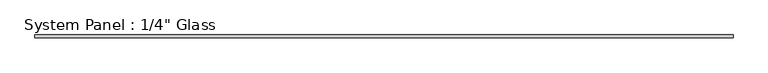
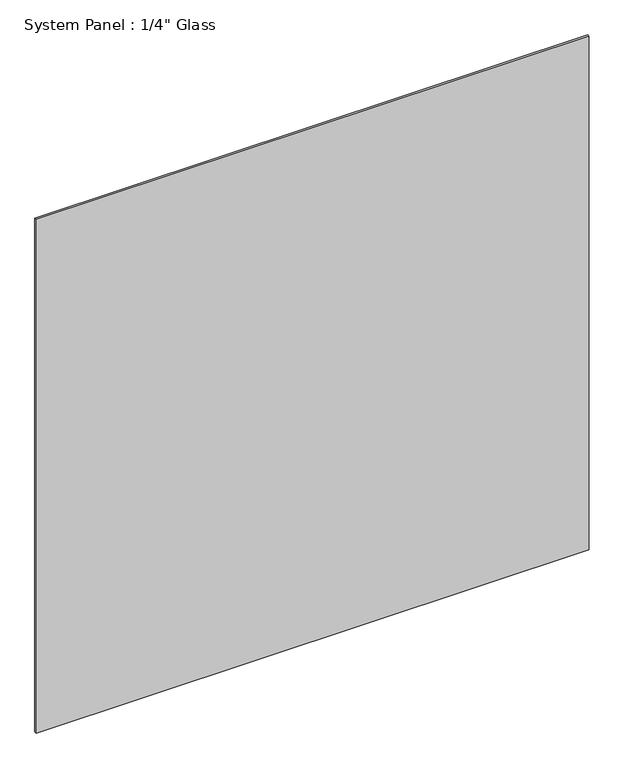
"""IFC4 building model written with IfcOpenShell, lengths in millimetres: plate geometry."""

from ifc_helpers import new_model, si_unit, origin, origin_with_axes, place, context, project, spatial, polyline, outline, extrude, source, transform, mapped, element, save


def plate_1f2ca0bd(model_context):
    return source(origin(), model_context, "Body", "SweptSolid", [
        extrude(outline(polyline([(749.3, -3.175), (-749.3, -3.175), (-749.3, 3.175), (749.3, 3.175), (749.3, -3.175)])), origin_with_axes(), (0.0, 0.0, 1.0), 1471.1844027),
    ])


if __name__ == "__main__":
    model = new_model("IFC4")
    model_context = context("Model", 3, world=origin())
    ifc_project = project(units=[si_unit("LENGTHUNIT", "METRE", prefix="MILLI")], contexts=[model_context])
    site = spatial("IfcSite", under=ifc_project)
    building = spatial("IfcBuilding", under=site)
    placement = place(None, origin())
    plate_shape = plate_1f2ca0bd(model_context)
    element("IfcPlate", 1, ObjectType="System Panel : 1/4\" Glass", at=placement, inside=building, context=model_context, shape_type="MappedRepresentation", body=[
        mapped(plate_shape, transform((0.0, 0.0, 0.0), x_axis=(1.0, 0.0, 0.0), y_axis=(0.0, 1.0, 0.0), z_axis=(0.0, 0.0, 1.0))),
    ])
    save(model, "model.ifc")
